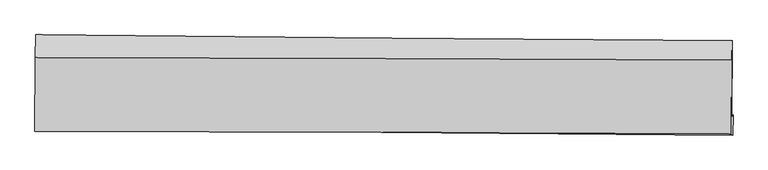
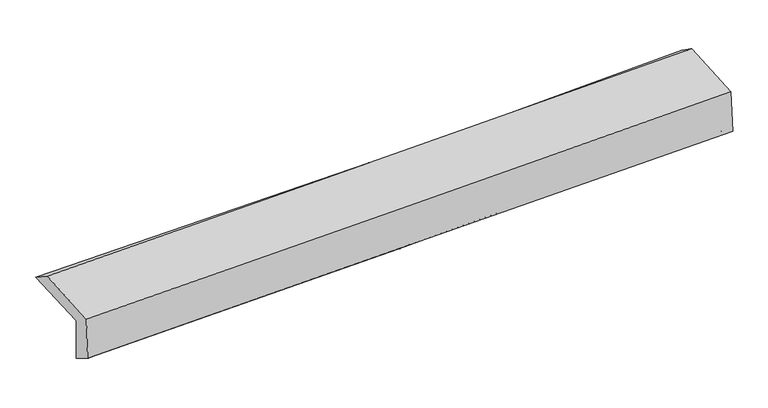
"""IFC4 building model written with IfcOpenShell, lengths in millimetres: proxy geometry."""

from ifc_helpers import new_model, si_unit, frame, origin, place, context, project, spatial, source, transform, mapped, element, save
from ifc_brep_helpers import plane_surface, spline_curve, spline_surface, advanced_brep


def generic_models_b929cd29(model_context):
    return source(origin(), model_context, "Body", "AdvancedBrep", [
        advanced_brep(
        [(-3048.1907793, -1770.5193144, 1947.4105846), (-3046.1413802, -1097.889359, 1974.0736165), (3032.3263519, -1147.9893963, 2145.7424838), (3028.3213888, -1816.1799235, 2122.739445), (-3037.0990546, -1744.6866578, 1556.8070559), (3039.4276351, -1800.6493461, 1730.0949496), (-3041.1718509, -1939.7691858, 1672.7677283), (3035.1410238, -1975.6270683, 1839.6648076), (-3052.3627319, -1942.258077, 2070.3518671), (3024.3506445, -1963.8009935, 2227.8281839), (-3050.7579416, -1297.8399349, 2108.6503931), (3027.7616247, -1319.1378097, 2266.192544)],
        [
            (0, 1),
            (1, 2, spline_curve(3, [(-3046.1413802, -1097.889359, 1974.0736165), (-2032.499819793, -1108.676170638, 1975.602327716), (-1019.228827864, -1118.24406108, 1990.667539287), (1006.927342672, -1134.94492892, 2047.88099593), (2019.812261484, -1142.077050614, 2090.038740513), (3032.3263519, -1147.9893963, 2145.7424838)], [4, 2, 4], [0.0, 9.973097011788942, 19.94969256374261])),
            (2, 3),
            (3, 0, spline_curve(3, [(3028.3213888, -1816.1799235, 2122.739445), (2015.972581972, -1813.482223463, 2072.218916892), (1003.333311243, -1808.327224408, 2032.347219744), (-1022.17094856, -1793.105298432, 1973.911733378), (-2035.035733826, -1783.040094228, 1955.34047727), (-3048.1907793, -1770.5193144, 1947.4105846)], [4, 2, 4], [0.0, 9.976595551953666, 19.94969256374261])),
            (4, 0),
            (3, 5),
            (5, 4, spline_curve(3, [(3039.4276351, -1800.6493461, 1730.0949496), (2027.365886763, -1789.354025346, 1671.121645531), (1014.868909525, -1779.042162296, 1627.194441376), (-1010.640291976, -1760.38862274, 1569.442360898), (-2023.652211484, -1752.046256058, 1555.606933916), (-3037.0990546, -1744.6866578, 1556.8070559)], [4, 2, 4], [0.0, 9.97517015903815, 19.946842277760883])),
            (6, 4),
            (5, 7),
            (7, 6, spline_curve(3, [(3035.1410238, -1975.6270683, 1839.6648076), (2022.391514687, -1964.255684029, 1808.044549171), (1009.568541777, -1955.581783987, 1778.32422383), (-1015.869134971, -1943.631048191, 1722.693196479), (-2028.483786636, -1940.352320654, 1696.78116183), (-3041.1718509, -1939.7691858, 1672.7677283)], [4, 2, 4], [0.0, 9.974239658640652, 19.944981603268882])),
            (8, 6),
            (7, 9),
            (9, 8, spline_curve(3, [(3024.3506445, -1963.8009935, 2227.8281839), (2011.412852963, -1959.587568653, 2200.918918407), (998.462368525, -1955.685352905, 2174.339015556), (-1027.108765515, -1948.50459897, 2121.847141245), (-2039.729406607, -1945.225842697, 2095.934938219), (-3052.3627319, -1942.258077, 2070.3518671)], [4, 2, 4], [0.0, 9.973463226845997, 19.9434290119546])),
            (10, 8),
            (9, 11),
            (11, 10, spline_curve(3, [(3027.7616247, -1319.1378097, 2266.192544), (2014.505290396, -1315.04974272, 2239.26678356), (1001.244993678, -1311.230622339, 2212.673146775), (-1024.928197686, -1304.131519417, 2160.159329275), (-2037.841089977, -1300.851348261, 2134.238915763), (-3050.7579416, -1297.8399349, 2108.6503931)], [4, 2, 4], [0.0, 9.975002666393642, 19.94650735120731])),
            (1, 10),
            (11, 2),
        ],
        [
            spline_surface(3, 3, [[(-3048.1907793, -1770.5193144, 1947.4105846), (-2035.035733921, -1783.04009429, 1955.340477367), (-1022.170948521, -1793.105298336, 1973.911733449), (1003.333311204, -1808.327224504, 2032.347219673), (2015.972581815, -1813.482223469, 2072.218917057), (3028.3213888, -1816.1799235, 2122.739445)], [(-3047.50764627, -1546.309329267, 1956.298261888), (-2034.190429269, -1558.252119715, 1962.094427448), (-1021.190241666, -1568.151552563, 1979.497002013), (1004.531321734, -1583.866459273, 2037.52514515), (2017.252475032, -1589.68049924, 2078.158858154), (3029.656376501, -1593.449747778, 2130.407124596)], [(-3046.82451323, -1322.099344133, 1965.185939212), (-2033.345124608, -1333.46414514, 1968.848377565), (-1020.209534826, -1343.197806876, 1985.082270563), (1005.729332249, -1359.405694129, 2042.703070612), (2018.532368247, -1365.878774978, 2084.098799261), (3030.991364199, -1370.719572022, 2138.074804204)], [(-3046.1413802, -1097.889359, 1974.0736165), (-2032.499819955, -1108.676170564, 1975.602327646), (-1019.228827971, -1118.244061102, 1990.667539128), (1006.927342778, -1134.944928897, 2047.880996089), (2019.812261465, -1142.077050749, 2090.038740357), (3032.3263519, -1147.9893963, 2145.7424838)]], [4, 4], [4, 2, 4], [0.0, 2.2123448915569908], [0.0, 9.973097011788942, 19.94969256374261]),
            spline_surface(3, 3, [[(-3037.0990546, -1744.6866578, 1556.8070559), (-2023.65221161, -1752.046256219, 1555.60693376), (-1010.640292102, -1760.388622618, 1569.442360876), (1014.868909651, -1779.042162418, 1627.194441398), (2027.365886725, -1789.354025465, 1671.12164549), (3039.4276351, -1800.6493461, 1730.0949496)], [(-3040.796296187, -1753.297543304, 1687.008232141), (-2027.446719067, -1762.377535547, 1688.851448303), (-1014.483844258, -1771.294181205, 1704.265485059), (1011.023710153, -1788.803849794, 1762.245367481), (2023.568118421, -1797.396758122, 1804.820736008), (3035.725552999, -1805.826205222, 1860.976448063)], [(-3044.493537713, -1761.908428896, 1817.209408359), (-2031.241226464, -1772.708814962, 1822.095962823), (-1018.327396365, -1782.19973975, 1839.088609266), (1007.178510703, -1798.565537128, 1897.296293589), (2019.770350119, -1805.439490812, 1938.519826539), (3032.023470901, -1811.003064378, 1991.857946537)], [(-3048.1907793, -1770.5193144, 1947.4105846), (-2035.035733921, -1783.04009429, 1955.340477367), (-1022.170948521, -1793.105298336, 1973.911733449), (1003.333311204, -1808.327224504, 2032.347219673), (2015.972581815, -1813.482223469, 2072.218917057), (3028.3213888, -1816.1799235, 2122.739445)]], [4, 4], [4, 2, 4], [0.0, 1.332546688888594], [0.0, 9.971672118722733, 19.946842277760883]),
            spline_surface(3, 3, [[(-3041.1718509, -1939.7691858, 1672.7677283), (-2028.483786661, -1940.352320611, 1696.781161741), (-1015.869134814, -1943.631048115, 1722.693196424), (1009.56854162, -1955.581784063, 1778.324223885), (2022.391514635, -1964.255684067, 1808.044549012), (3035.1410238, -1975.6270683, 1839.6648076)], [(-3039.814252113, -1874.74167647, 1634.114170826), (-2026.873261624, -1877.583632484, 1649.72308574), (-1014.126187253, -1882.550239622, 1671.609584584), (1011.335330954, -1896.735243521, 1727.947629732), (2024.049638659, -1905.955131201, 1762.403581198), (3036.569894227, -1917.301160901, 1803.141521627)], [(-3038.456653387, -1809.71416713, 1595.460613374), (-2025.262736647, -1814.814944346, 1602.665009761), (-1012.383239663, -1821.469431111, 1620.525972716), (1013.102120317, -1837.888702961, 1677.571035551), (2025.707762701, -1847.654578332, 1716.762613304), (3037.998764673, -1858.975253499, 1766.618235573)], [(-3037.0990546, -1744.6866578, 1556.8070559), (-2023.65221161, -1752.046256219, 1555.60693376), (-1010.640292102, -1760.388622618, 1569.442360876), (1014.868909651, -1779.042162418, 1627.194441398), (2027.365886725, -1789.354025465, 1671.12164549), (3039.4276351, -1800.6493461, 1730.0949496)]], [4, 4], [4, 2, 4], [0.0, 0.7732616710717806], [0.0, 9.97074194462823, 19.944981603268882]),
            spline_surface(3, 3, [[(-3052.3627319, -1942.258077, 2070.3518671), (-2039.729406748, -1945.225842552, 2095.934938215), (-1027.108765674, -1948.504598972, 2121.847141079), (998.462368684, -1955.685352903, 2174.339015722), (2011.412853095, -1959.587568665, 2200.918918456), (3024.3506445, -1963.8009935, 2227.8281839)], [(-3048.632438263, -1941.428446622, 1937.823820854), (-2035.980866749, -1943.60133526, 1962.883679411), (-1023.362222036, -1946.880082016, 1988.795826189), (1002.164426347, -1955.650829953, 2042.334085105), (2015.072406941, -1961.143607157, 2069.960795306), (3027.947437599, -1967.743018459, 2098.440391798)], [(-3044.902144537, -1940.598816178, 1805.295774546), (-2032.232326661, -1941.976827903, 1829.832420545), (-1019.615678451, -1945.255565071, 1855.744511314), (1005.866483957, -1955.616307014, 1910.329154503), (2018.731960789, -1962.699645574, 1939.002672162), (3031.544230701, -1971.685043341, 1969.052599702)], [(-3041.1718509, -1939.7691858, 1672.7677283), (-2028.483786661, -1940.352320611, 1696.781161741), (-1015.869134814, -1943.631048115, 1722.693196424), (1009.56854162, -1955.581784063, 1778.324223885), (2022.391514635, -1964.255684067, 1808.044549012), (3035.1410238, -1975.6270683, 1839.6648076)]], [4, 4], [4, 2, 4], [0.0, 1.304949331559323], [0.0, 9.969965785108602, 19.9434290119546]),
            spline_surface(3, 3, [[(-3050.7579416, -1297.8399349, 2108.6503931), (-2037.841089929, -1300.851348199, 2134.238915926), (-1024.928197777, -1304.131519366, 2160.159329316), (1001.244993769, -1311.23062239, 2212.673146733), (2014.505290382, -1315.04974279, 2239.266783622), (3027.7616247, -1319.1378097, 2266.192544)], [(-3051.292871694, -1512.645982271, 2095.884217769), (-2038.470528862, -1515.642846322, 2121.470923358), (-1025.655053765, -1518.922545913, 2147.388599886), (1000.317452052, -1526.048865906, 2199.895103045), (2013.474477948, -1529.895684729, 2226.484161892), (3026.624631295, -1534.025537614, 2253.404423959)], [(-3051.827801806, -1727.452029629, 2083.118042431), (-2039.099967815, -1730.43434443, 2108.702930783), (-1026.381909686, -1733.713572425, 2134.61787051), (999.389910401, -1740.867109387, 2187.117059411), (2012.443665529, -1744.741626726, 2213.701540186), (3025.487637905, -1748.913265586, 2240.616303941)], [(-3052.3627319, -1942.258077, 2070.3518671), (-2039.729406748, -1945.225842552, 2095.934938215), (-1027.108765674, -1948.504598972, 2121.847141079), (998.462368684, -1955.685352903, 2174.339015722), (2011.412853095, -1959.587568665, 2200.918918456), (3024.3506445, -1963.8009935, 2227.8281839)]], [4, 4], [4, 2, 4], [0.0, 2.1179698792278896], [0.0, 9.971504684813667, 19.94650735120731]),
            spline_surface(3, 3, [[(-3046.1413802, -1097.889359, 1974.0736165), (-2032.499819955, -1108.676170564, 1975.602327646), (-1019.228827971, -1118.244061102, 1990.667539128), (1006.927342778, -1134.944928897, 2047.880996089), (2019.812261465, -1142.077050749, 2090.038740357), (3032.3263519, -1147.9893963, 2145.7424838)], [(-3047.680233974, -1164.539550966, 2018.932542022), (-2034.280243254, -1172.734563108, 2028.481190395), (-1021.128617881, -1180.206547191, 2047.164802541), (1005.033226467, -1193.70682673, 2102.811712988), (2018.043271116, -1199.734614756, 2139.781421436), (3030.804776179, -1205.038867427, 2185.892503857)], [(-3049.219087826, -1231.189742934, 2063.791467578), (-2036.06066663, -1236.792955655, 2081.360053178), (-1023.028407867, -1242.169033277, 2103.662065903), (1003.13911008, -1252.468724558, 2157.742429835), (2016.274280731, -1257.392178783, 2189.524102543), (3029.283200421, -1262.088338573, 2226.042523943)], [(-3050.7579416, -1297.8399349, 2108.6503931), (-2037.841089929, -1300.851348199, 2134.238915926), (-1024.928197777, -1304.131519366, 2160.159329316), (1001.244993769, -1311.23062239, 2212.673146733), (2014.505290382, -1315.04974279, 2239.266783622), (3027.7616247, -1319.1378097, 2266.192544)]], [4, 4], [4, 2, 4], [0.0, 0.8087139665533556], [0.0, 9.97363144616717, 19.950761619977452]),
            plane_surface(frame((3031.2214448, -1670.5640896, 2055.377069), z_axis=(0.9995837577754603, -0.006955135104123927, 0.027998880105699408), x_axis=(0.02777493840517875, -0.03044086701534062, -0.9991505924593864))),
            plane_surface(frame((-3045.9539564, -1632.1604215, 1888.3435409), z_axis=(-0.9995961858728515, 0.004159885884046762, -0.028109794340759827), x_axis=(-0.0030444397263303196, -0.9992106303628575, -0.03960868031901253))),
        ],
        [
            (0, [[1, 2, 3, 4]]),
            (1, [[5, -4, 6, 7]]),
            (2, [[8, -7, 9, 10]]),
            (3, [[11, -10, 12, 13]]),
            (4, [[14, -13, 15, 16]]),
            (5, [[17, -16, 18, -2]]),
            (6, [[-12, -9, -6, -3, -18, -15]]),
            (7, [[-1, -5, -8, -11, -14, -17]]),
        ],
    ),
    ])


if __name__ == "__main__":
    model = new_model("IFC4")
    model_context = context("Model", 3, world=origin())
    ifc_project = project(units=[si_unit("LENGTHUNIT", "METRE", prefix="MILLI")], contexts=[model_context])
    site = spatial("IfcSite", under=ifc_project)
    building = spatial("IfcBuilding", under=site)
    placement = place(None, origin())
    generic_models_shape = generic_models_b929cd29(model_context)
    element("IfcBuildingElementProxy", 1, Name="Generic Models", at=placement, inside=building, context=model_context, shape_type="MappedRepresentation", body=[
        mapped(generic_models_shape, transform((0.0, 0.0, 0.0), x_axis=(1.0, 0.0, 0.0), y_axis=(0.0, 1.0, 0.0), z_axis=(0.0, 0.0, 1.0))),
    ])
    save(model, "model.ifc")
